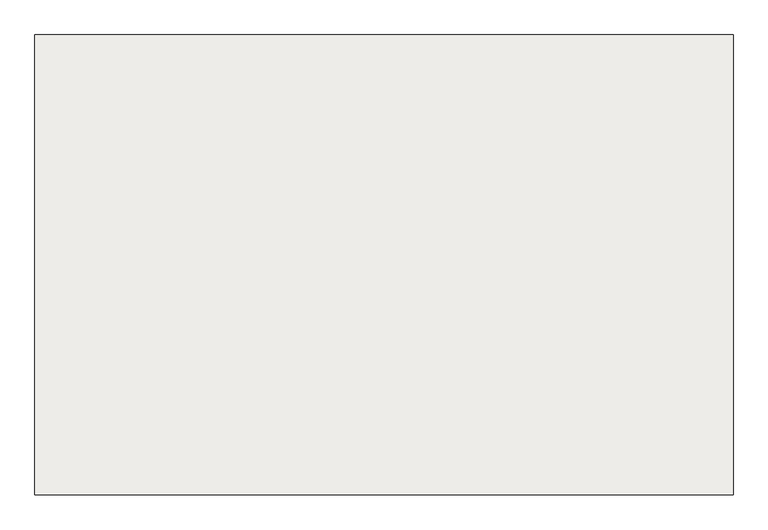
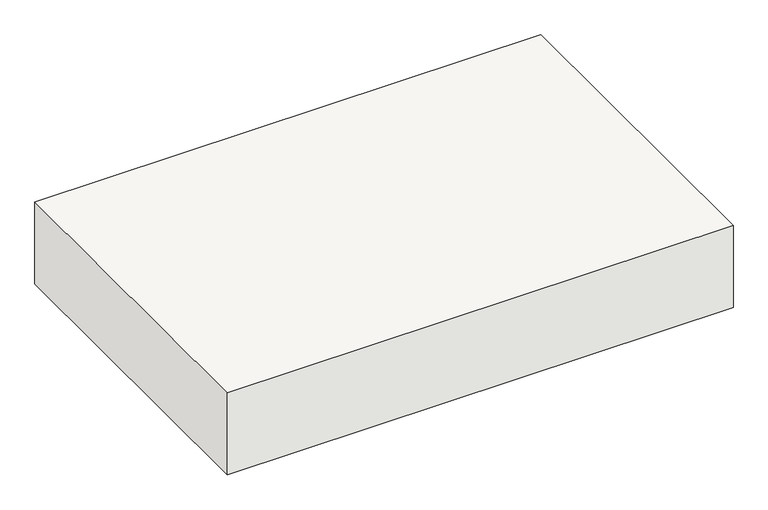
"""IFC4 building model written with IfcOpenShell, lengths in millimetres: slab geometry."""

from ifc_helpers import new_model, si_unit, frame, origin, place, context, project, spatial, polyline, outline, extrude, source, transform, mapped, element, save


def slab_96569a3d(model_context):
    return source(origin(), model_context, "Body", "SweptSolid", [
        extrude(outline(polyline([(5834.1270411, 2519.2068086), (5834.1270411, 3329.2068086), (7064.1270411, 3329.2068086), (7064.1270411, 2519.2068086), (5834.1270411, 2519.2068086)])), frame((0.0, 0.0, -1080.0), z_axis=(0.0, 0.0, 1.0), x_axis=(1.0, 0.0, 0.0)), (0.0, 0.0, 1.0), 210.0),
    ])


if __name__ == "__main__":
    model = new_model("IFC4")
    model_context = context("Model", 3, world=origin())
    ifc_project = project(units=[si_unit("LENGTHUNIT", "METRE", prefix="MILLI")], contexts=[model_context])
    site = spatial("IfcSite", under=ifc_project)
    building = spatial("IfcBuilding", under=site)
    placement = place(None, origin())
    slab_shape = slab_96569a3d(model_context)
    element("IfcSlab", 1, at=placement, inside=building, context=model_context, shape_type="MappedRepresentation", body=[
        mapped(slab_shape, transform((0.0, 0.0, 0.0), x_axis=(1.0, 0.0, 0.0), y_axis=(0.0, 1.0, 0.0), z_axis=(0.0, 0.0, 1.0))),
    ])
    save(model, "model.ifc")
